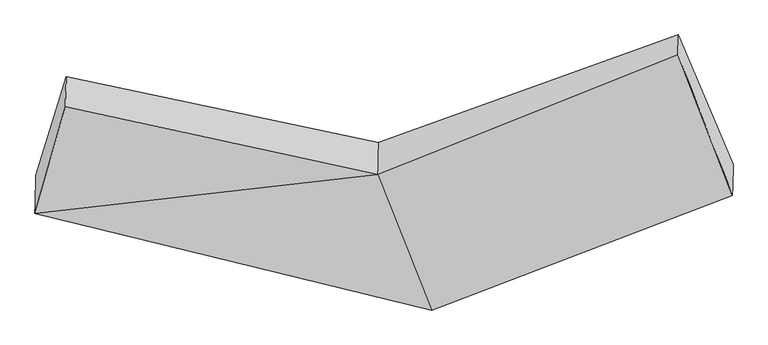
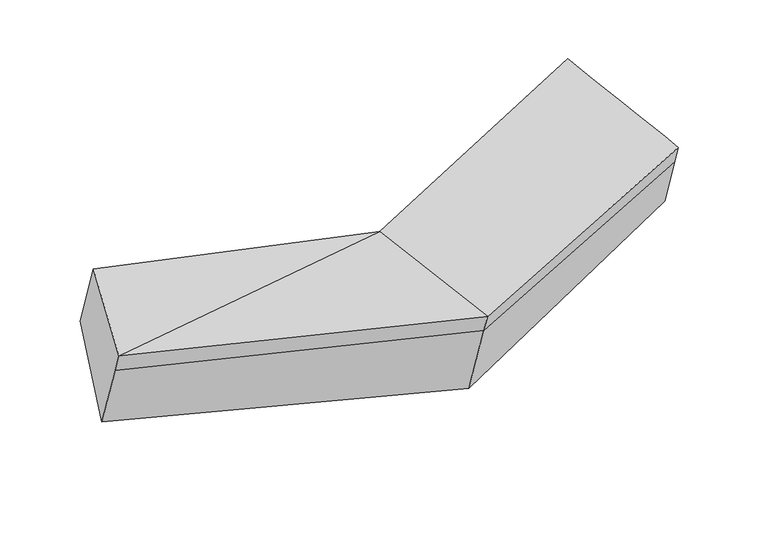
"""IFC4 building model written with IfcOpenShell, lengths in millimetres: proxy geometry."""

from ifc_helpers import new_model, si_unit, frame, origin, place, context, project, spatial, source, transform, mapped, element, save
from ifc_brep_helpers import plane_surface, spline_surface, advanced_brep


def generic_models_7656fd3a(model_context):
    return source(origin(), model_context, "Body", "AdvancedBrep", [
        advanced_brep(
        [(-1973.1719539, -1859.6268018, 2093.6154897), (-1972.1183927, -1813.6811768, 1961.3737053), (226.8983824, -2351.2726495, 1803.6141292), (225.8448212, -2397.2182745, 1935.8559136), (-1804.1568713, -1267.1684095, 2300.8037017), (-73.383951, -1644.9600031, 2194.8339725), (-1800.3799374, -1102.4569565, 1826.7273026), (-69.3196931, -1467.7184002, 1684.6929997), (-1968.3659002, -1650.0356078, 1490.3651588), (231.122733, -2167.0494282, 1273.3784972), (1594.1023713, -869.3075879, 2138.1077817), (1591.6104785, -977.9786141, 2450.8872991), (1893.1082521, -1759.6680017, 2181.7018727), (1894.1618132, -1713.7223767, 2049.4600882), (1897.0158964, -1589.2562895, 1691.2188526)],
        [
            (0, 1),
            (1, 2),
            (2, 3),
            (3, 0),
            (4, 0),
            (0, 5),
            (5, 4),
            (6, 4),
            (5, 7),
            (7, 6),
            (8, 6),
            (7, 9),
            (9, 8),
            (1, 8),
            (9, 2),
            (10, 11),
            (11, 12),
            (12, 13),
            (13, 14),
            (14, 10),
            (3, 5),
            (5, 11),
            (10, 7),
            (3, 12),
            (2, 13),
            (9, 14),
        ],
        [
            plane_surface(frame((-1972.6451733, -1836.6539893, 2027.4945975), z_axis=(-0.24659112887980056, -0.9148302432208005, -0.3198100080459595), x_axis=(0.007525436838529091, 0.3281830358353613, -0.9445841745393977))),
            plane_surface(frame((-1888.6644126, -1563.3976057, 2197.2095957), z_axis=(-0.013440291931814355, -0.32665757989488325, 0.9450471861499857), x_axis=(-0.2600232039040395, -0.9114744498247891, -0.31875109528921836))),
            plane_surface(frame((-1802.2684044, -1184.812683, 2063.7655022), z_axis=(0.22068100231573734, 0.9207761345626968, 0.32166940363780366), x_axis=(-0.007525436838306038, -0.32818303583528335, 0.9445841745394266))),
            spline_surface(1, 1, [[(-1968.3659002, -1650.0356078, 1490.3651588), (231.122733, -2167.0494282, 1273.3784972)], [(-1800.3799374, -1102.4569565, 1826.7273026), (-69.3196931, -1467.7184002, 1684.6929997)]], [2, 2], [2, 2], [0.0, 1.0], [0.0, 1.0]),
            plane_surface(frame((-1970.2421465, -1731.8583923, 1725.8694321), z_axis=(-0.24659112887980167, -0.914830243220839, -0.3198100080458487), x_axis=(0.007525436838335611, 0.32818303583529396, -0.9445841745394227))),
            plane_surface(frame((1743.9592495, -1299.0526233, 2115.4789515), z_axis=(0.9394471765855957, 0.3213230541809585, 0.1191238735819713), x_axis=(-0.007525436838374633, -0.32818303583530767, 0.9445841745394176))),
            plane_surface(frame((-1886.5186657, -1469.8219439, 1927.8779132), z_axis=(-0.9655730429293634, 0.24801254465555345, 0.0784759610429025), x_axis=(-0.007525436838374283, -0.3281830358353076, 0.9445841745394177))),
            plane_surface(frame((-1973.1719539, -1859.6268018, 2093.6154897), z_axis=(-0.012987279234100993, -0.33010458902799855, 0.9438550158158572), x_axis=(0.3520338496440223, -0.885009731054766, -0.3046800693238413))),
            plane_surface(frame((-71.351822, -1556.3392016, 1939.7634861), z_axis=(-0.39411783014903895, 0.8691229339050498, 0.29882513568790037), x_axis=(-0.007525436838374633, -0.32818303583530767, 0.9445841745394176))),
            spline_surface(1, 1, [[(-73.383951, -1644.9600031, 2194.8339725), (1591.6104785, -977.9786141, 2450.8872991)], [(225.8448212, -2397.2182745, 1935.8559136), (1893.1082521, -1759.6680017, 2181.7018727)]], [2, 2], [2, 2], [0.0, 1.0], [0.0, 1.0]),
            plane_surface(frame((226.3716018, -2374.245462, 1869.7350214), z_axis=(0.37900619527191953, -0.8750693473249936, -0.3010115302072555), x_axis=(0.007525436838404849, 0.32818303583532055, -0.9445841745394129))),
            plane_surface(frame((229.0105577, -2259.1610388, 1538.4963132), z_axis=(0.3790061952719196, -0.8750693473249939, -0.3010115302072544), x_axis=(0.007525436838357171, 0.32818303583530106, -0.94458417453942))),
            spline_surface(1, 1, [[(231.122733, -2167.0494282, 1273.3784972), (1897.0158964, -1589.2562895, 1691.2188526)], [(-69.3196931, -1467.7184002, 1684.6929997), (1594.1023713, -869.3075879, 2138.1077817)]], [2, 2], [2, 2], [0.0, 1.0], [0.0, 1.0]),
        ],
        [
            (0, [[1, 2, 3, 4]]),
            (1, [[5, 6, 7]]),
            (2, [[8, -7, 9, 10]]),
            (3, [[11, -10, 12, 13]]),
            (4, [[14, -13, 15, -2]]),
            (5, [[16, 17, 18, 19, 20]]),
            (6, [[-1, -5, -8, -11, -14]]),
            (7, [[21, -6, -4]]),
            (8, [[-9, 22, -16, 23]]),
            (9, [[-21, 24, -17, -22]]),
            (10, [[-3, 25, -18, -24]]),
            (11, [[-15, 26, -19, -25]]),
            (12, [[-12, -23, -20, -26]]),
        ],
    ),
    ])


if __name__ == "__main__":
    model = new_model("IFC4")
    model_context = context("Model", 3, world=origin())
    ifc_project = project(units=[si_unit("LENGTHUNIT", "METRE", prefix="MILLI")], contexts=[model_context])
    site = spatial("IfcSite", under=ifc_project)
    building = spatial("IfcBuilding", under=site)
    placement = place(None, origin())
    generic_models_shape = generic_models_7656fd3a(model_context)
    element("IfcBuildingElementProxy", 1, Name="Generic Models", at=placement, inside=building, context=model_context, shape_type="MappedRepresentation", body=[
        mapped(generic_models_shape, transform((0.0, 0.0, 0.0), x_axis=(1.0, 0.0, 0.0), y_axis=(0.0, 1.0, 0.0), z_axis=(0.0, 0.0, 1.0))),
    ])
    save(model, "model.ifc")
